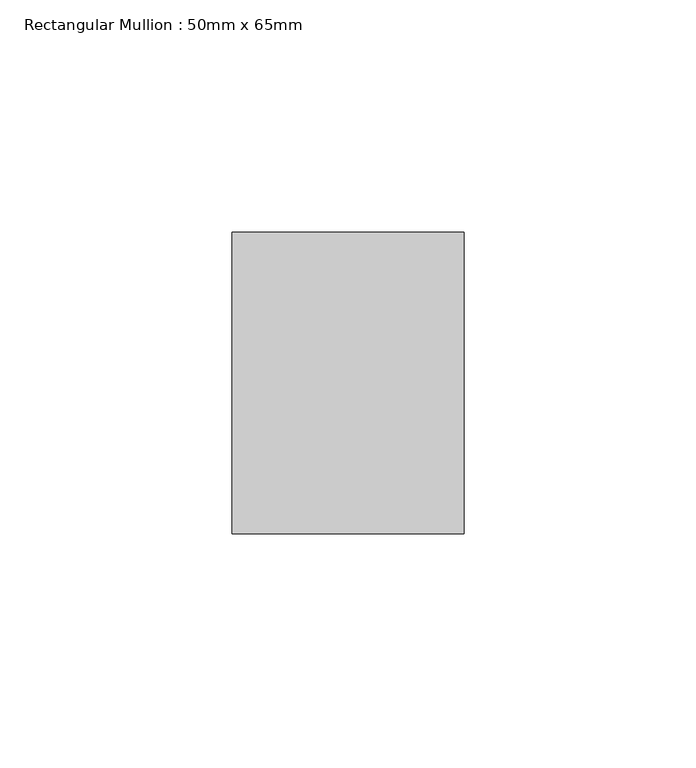
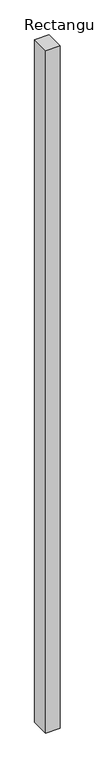
"""IFC4 building model written with IfcOpenShell, lengths in millimetres: member geometry, Rectangular Mullion : 50mm x 65mm."""

from ifc_helpers import new_model, si_unit, frame, origin, place, context, project, spatial, polyline, outline, extrude, source, transform, mapped, element, save


def rectangular_mullion_50mm_x_65mm_a5c486bd(model_context):
    return source(origin(), model_context, "Body", "SweptSolid", [
        extrude(outline(polyline([(25.0, 32.5), (25.0, -32.5), (-25.0, -32.5), (-25.0, 32.5), (25.0, 32.5)])), frame((0.0, 0.0, -2478.025652), z_axis=(0.0, 0.0, 1.0), x_axis=(1.0, 0.0, 0.0)), (0.0, 0.0, 1.0), 2478.025652),
    ])


if __name__ == "__main__":
    model = new_model("IFC4")
    model_context = context("Model", 3, world=origin())
    ifc_project = project(units=[si_unit("LENGTHUNIT", "METRE", prefix="MILLI")], contexts=[model_context])
    site = spatial("IfcSite", under=ifc_project)
    building = spatial("IfcBuilding", under=site)
    placement = place(None, origin())
    rectangular_mullion_50mm_x_65mm_shape = rectangular_mullion_50mm_x_65mm_a5c486bd(model_context)
    element("IfcMember", 1, ObjectType="Rectangular Mullion : 50mm x 65mm", at=placement, inside=building, context=model_context, shape_type="MappedRepresentation", body=[
        mapped(rectangular_mullion_50mm_x_65mm_shape, transform((0.0, 0.0, 0.0), x_axis=(1.0, 0.0, 0.0), y_axis=(0.0, 1.0, 0.0), z_axis=(0.0, 0.0, 1.0))),
    ])
    save(model, "model.ifc")
